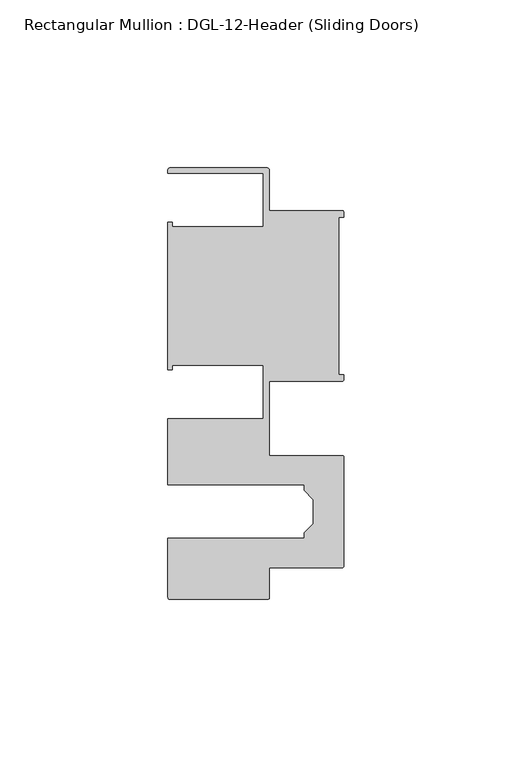
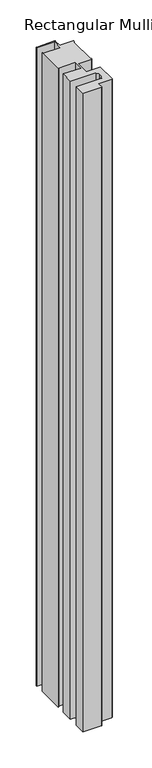
"""IFC4 building model written with IfcOpenShell, lengths in millimetres: member geometry, Rectangular Mullion : DGL-12-Header (Sliding Doors)."""

from ifc_helpers import new_model, si_unit, point, frame, frame_2d, origin, place, context, project, spatial, polyline, circle_curve, trimmed, segment, composite_curve, outline, extrude, source, transform, mapped, element, save


def rectangular_mullion_dgl_12_header_sliding_doors_9333d0d6(model_context):
    return source(origin(), model_context, "Body", "SweptSolid", [
        extrude(outline(composite_curve([segment(trimmed(circle_curve(frame_2d((-0.5953125, 24.8046875)), 0.5953125), [point((-0.5953125, 25.4))], [point((0.0, 24.8046875))], False, "CARTESIAN"), True, "CONTINUOUS"), segment(polyline([(0.0, 24.8046875), (0.0, 23.488176), (-1.5001875, 23.488176), (-1.5001875, -23.488176), (0.0, -23.488176), (0.0, -24.8046875)]), True, "CONTINUOUS"), segment(trimmed(circle_curve(frame_2d((-0.5953125, -24.8046875)), 0.5953125), [point((0.0, -24.8046875))], [point((-0.5953125, -25.4))], False, "CARTESIAN"), True, "CONTINUOUS"), segment(polyline([(-0.5953125, -25.4), (-22.2332898, -25.4), (-22.2332898, -47.513352), (-0.60357, -47.513352)]), True, "CONTINUOUS"), segment(trimmed(circle_curve(frame_2d((-0.60357, -48.1086645)), 0.5953125), [point((-0.60357, -47.513352))], [point((-0.0082575, -48.1086645))], False, "CARTESIAN"), True, "CONTINUOUS"), segment(polyline([(-0.0082575, -48.1086645), (-0.0082575, -80.2801715)]), True, "CONTINUOUS"), segment(trimmed(circle_curve(frame_2d((-0.60357, -80.2801715)), 0.5953125), [point((-0.0082575, -80.2801715))], [point((-0.60357, -80.875484))], False, "CARTESIAN"), True, "CONTINUOUS"), segment(polyline([(-0.60357, -80.875484), (-22.2032575, -80.875484), (-22.2032575, -89.7299227)]), True, "CONTINUOUS"), segment(trimmed(circle_curve(frame_2d((-22.79857, -89.7299227)), 0.5953125), [point((-22.2032575, -89.7299227))], [point((-22.79857, -90.3252352))], False, "CARTESIAN"), True, "CONTINUOUS"), segment(polyline([(-22.79857, -90.3252352), (-51.7968699, -90.3252352)]), True, "CONTINUOUS"), segment(trimmed(circle_curve(frame_2d((-51.7968699, -89.7299227)), 0.5953125), [point((-51.7968699, -90.3252352))], [point((-52.3921824, -89.7299227))], False, "CARTESIAN"), True, "CONTINUOUS"), segment(polyline([(-52.3921824, -89.7299227), (-52.3921824, -72.175484), (-11.8582575, -72.175484), (-11.8582575, -70.4941892), (-9.1582575, -67.7941892), (-9.1582575, -60.5946468), (-11.8582575, -57.8946468), (-11.8582575, -56.213352), (-52.3921824, -56.213352), (-52.3921824, -36.512516), (-24.0747898, -36.512516), (-24.0747898, -20.5916734), (-51.1362531, -20.5916734), (-51.1362531, -21.9710976), (-52.3921824, -21.9710976), (-52.3921824, 21.9710976), (-51.1362531, 21.9710976), (-51.1362531, 20.5916734), (-24.0747898, 20.5916734), (-24.0747898, 36.512516), (-52.3921824, 36.512516), (-52.3921824, 37.5043667)]), True, "CONTINUOUS"), segment(trimmed(circle_curve(frame_2d((-51.7968699, 37.5043667)), 0.5953125), [point((-52.3921824, 37.5043667))], [point((-51.7968699, 38.0996792))], False, "CARTESIAN"), True, "CONTINUOUS"), segment(polyline([(-51.7968699, 38.0996792), (-22.8286023, 38.0996792)]), True, "CONTINUOUS"), segment(trimmed(circle_curve(frame_2d((-22.8286023, 37.5043667)), 0.5953125), [point((-22.8286023, 38.0996792))], [point((-22.2332898, 37.5043667))], False, "CARTESIAN"), True, "CONTINUOUS"), segment(polyline([(-22.2332898, 37.5043667), (-22.2332898, 25.4), (-0.5953125, 25.4)]), True, "CONTINUOUS")], self_intersect=False)), frame((0.0, 0.0, -1075.1847943), z_axis=(0.0, 0.0, 1.0), x_axis=(1.0, 0.0, 0.0)), (0.0, 0.0, 1.0), 1075.1847943),
    ])


if __name__ == "__main__":
    model = new_model("IFC4")
    model_context = context("Model", 3, world=origin())
    ifc_project = project(units=[si_unit("LENGTHUNIT", "METRE", prefix="MILLI")], contexts=[model_context])
    site = spatial("IfcSite", under=ifc_project)
    building = spatial("IfcBuilding", under=site)
    placement = place(None, origin())
    rectangular_mullion_dgl_12_header_sliding_doors_shape = rectangular_mullion_dgl_12_header_sliding_doors_9333d0d6(model_context)
    element("IfcMember", 1, ObjectType="Rectangular Mullion : DGL-12-Header (Sliding Doors)", at=placement, inside=building, context=model_context, shape_type="MappedRepresentation", body=[
        mapped(rectangular_mullion_dgl_12_header_sliding_doors_shape, transform((0.0, 0.0, 0.0), x_axis=(1.0, 0.0, 0.0), y_axis=(0.0, 1.0, 0.0), z_axis=(0.0, 0.0, 1.0))),
    ])
    save(model, "model.ifc")
